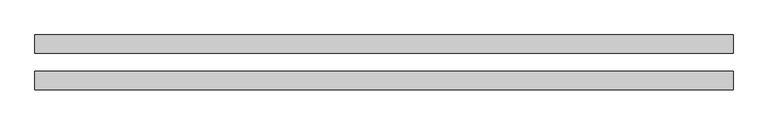
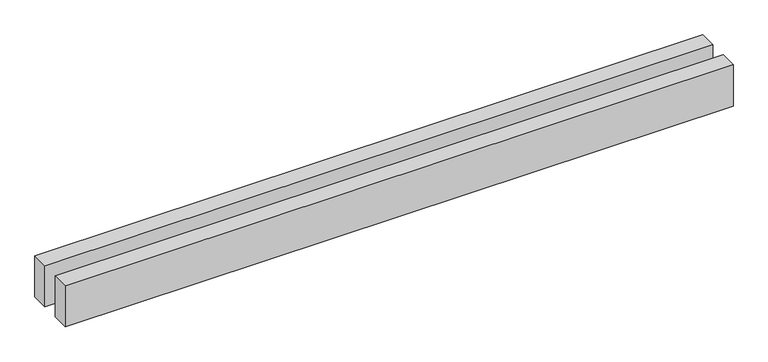
"""IFC4 building model written with IfcOpenShell, lengths in millimetres: proxy geometry."""

from ifc_helpers import new_model, si_unit, origin, origin_with_axes, place, context, project, spatial, polyline, outline, extrude, source, transform, mapped, element, save


def generic_models_57731a55(model_context):
    return source(origin(), model_context, "Body", "SweptSolid", [
        extrude(outline(polyline([(7655.9985871, 300.0), (7655.9985871, 100.0), (0.0, 100.0), (0.0, 300.0), (7655.9985871, 300.0)])), origin_with_axes(), (0.0, 0.0, 1.0), 500.0),
        extrude(outline(polyline([(7655.9985871, -100.0), (7655.9985871, -300.0), (0.0, -300.0), (0.0, -100.0), (7655.9985871, -100.0)])), origin_with_axes(), (0.0, 0.0, 1.0), 500.0),
    ])


if __name__ == "__main__":
    model = new_model("IFC4")
    model_context = context("Model", 3, world=origin())
    ifc_project = project(units=[si_unit("LENGTHUNIT", "METRE", prefix="MILLI")], contexts=[model_context])
    site = spatial("IfcSite", under=ifc_project)
    building = spatial("IfcBuilding", under=site)
    placement = place(None, origin())
    generic_models_shape = generic_models_57731a55(model_context)
    element("IfcBuildingElementProxy", 1, Name="Generic Models", at=placement, inside=building, context=model_context, shape_type="MappedRepresentation", body=[
        mapped(generic_models_shape, transform((0.0, 0.0, 0.0), x_axis=(1.0, 0.0, 0.0), y_axis=(0.0, 1.0, 0.0), z_axis=(0.0, 0.0, 1.0))),
    ])
    save(model, "model.ifc")
